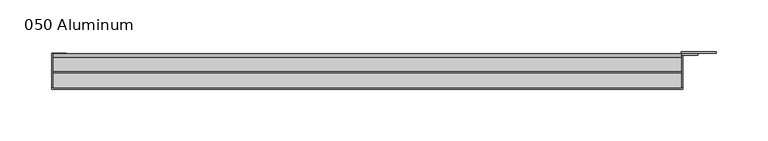
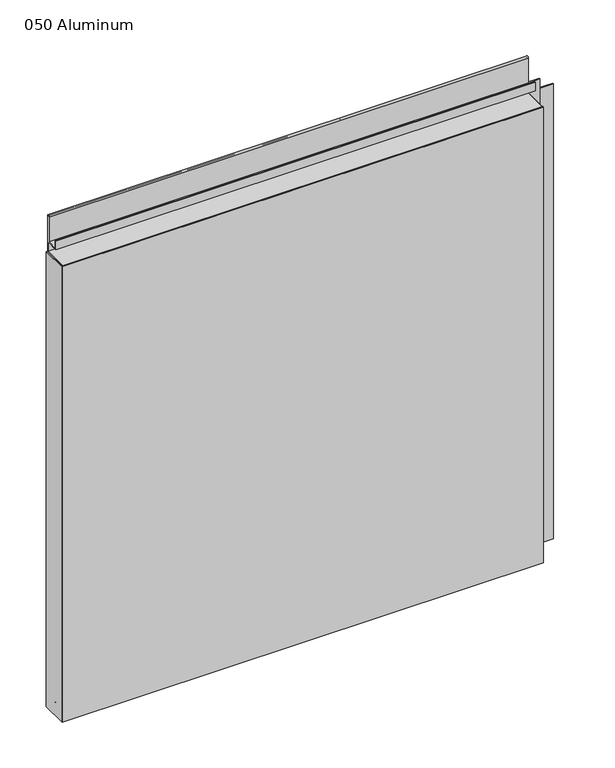
"""IFC4 building model written with IfcOpenShell, lengths in millimetres: plate geometry, 050 Aluminum."""

from ifc_helpers import new_model, si_unit, point, frame, frame_2d, origin, origin_with_axes, place, context, project, spatial, polyline, circle_curve, trimmed, segment, composite_curve, outline, extrude, source, transform, mapped, element, save


def plate_050_aluminum_a8f49b29(model_context):
    return source(origin(), model_context, "Body", "SweptSolid", [
        extrude(outline(polyline([(-309.88, -2.5660257), (-309.88, -34.7980001), (-311.1499999, -34.7980001), (-311.1499999, -1.2699999), (-296.9894994, -1.2699999), (-296.9894994, -2.5660257), (-309.88, -2.5660257)])), origin_with_axes(), (0.0, 0.0, 1.0), 608.33),
        extrude(outline(composite_curve([segment(polyline([(-16.6765477, 13.1458337), (-16.6765477, 2.786437), (-17.9464915, 2.786437), (-17.9464915, 13.1323356)]), True, "CONTINUOUS"), segment(trimmed(circle_curve(frame_2d((-19.8514743, 13.124237)), 1.905), [point((-17.9464915, 13.1323356))], [point((-21.7564743, 13.124237))], True, "CARTESIAN"), True, "CONTINUOUS"), segment(polyline([(-21.7564743, 13.124237), (-21.7564743, 0.0), (-34.7980002, 0.0), (-34.7980002, 1.2693678), (-23.0264743, 1.2693678), (-23.0264743, 13.124237)]), True, "CONTINUOUS"), segment(trimmed(circle_curve(frame_2d((-19.8514743, 13.124237)), 3.175), [point((-23.0264743, 13.124237))], [point((-16.6765477, 13.1458337))], False, "CARTESIAN"), True, "CONTINUOUS")], self_intersect=False)), frame((-309.88, 0.0, 0.0), z_axis=(1.0, 0.0, 0.0), x_axis=(0.0, 1.0, 0.0)), (0.0, 0.0, 1.0), 607.06),
        extrude(outline(composite_curve([segment(polyline([(-2.0574743, 656.7932001), (-2.0574743, 608.33), (-34.7980002, 608.33), (-34.7980002, 609.6000001), (-3.3274743, 609.6000001), (-3.3274743, 656.7932001)]), True, "CONTINUOUS"), segment(trimmed(circle_curve(frame_2d((-3.7084742, 656.7932001)), 0.3809999), [point((-3.3274743, 656.7932001))], [point((-4.0894742, 656.7932001))], True, "CARTESIAN"), True, "CONTINUOUS"), segment(polyline([(-4.0894742, 656.7932001), (-4.0894742, 622.3), (-20.4864742, 622.3), (-20.4864742, 633.6538), (-19.2164743, 633.6538), (-19.2164743, 623.57), (-5.3594742, 623.57), (-5.3594742, 656.7932001)]), True, "CONTINUOUS"), segment(trimmed(circle_curve(frame_2d((-3.7084742, 656.7932001)), 1.6509999), [point((-5.3594742, 656.7932001))], [point((-2.0574743, 656.7932001))], False, "CARTESIAN"), True, "CONTINUOUS")], self_intersect=False)), frame((-309.88, 0.0, 0.0), z_axis=(1.0, 0.0, 0.0), x_axis=(0.0, 1.0, 0.0)), (0.0, 0.0, 1.0), 607.06),
        extrude(outline(polyline([(-311.15, -36.068), (-311.15, -34.7980001), (298.45, -34.7980001), (298.45, -36.068), (-311.15, -36.068)])), origin_with_axes(), (0.0, 0.0, 1.0), 609.6),
        extrude(outline(polyline([(298.45, -1.2699999), (298.45, -34.7980002), (297.1800001, -34.7980002), (297.1800001, 0.0), (330.9620856, 0.0), (330.9620856, -1.2699999), (298.45, -1.2699999)])), origin_with_axes(), (0.0, 0.0, 1.0), 608.33),
        extrude(outline(polyline([(297.18, -3.3274743), (297.18, -2.0574743), (312.9279999, -2.0574743), (312.9279999, -3.3274743), (297.18, -3.3274743)])), origin_with_axes(), (0.0, 0.0, 1.0), 622.3),
    ])


if __name__ == "__main__":
    model = new_model("IFC4")
    model_context = context("Model", 3, world=origin())
    ifc_project = project(units=[si_unit("LENGTHUNIT", "METRE", prefix="MILLI")], contexts=[model_context])
    site = spatial("IfcSite", under=ifc_project)
    building = spatial("IfcBuilding", under=site)
    placement = place(None, origin())
    plate_050_aluminum_shape = plate_050_aluminum_a8f49b29(model_context)
    element("IfcPlate", 1, ObjectType="050 Aluminum", at=placement, inside=building, context=model_context, shape_type="MappedRepresentation", body=[
        mapped(plate_050_aluminum_shape, transform((0.0, 0.0, 0.0), x_axis=(1.0, 0.0, 0.0), y_axis=(0.0, 1.0, 0.0), z_axis=(0.0, 0.0, 1.0))),
    ])
    save(model, "model.ifc")
